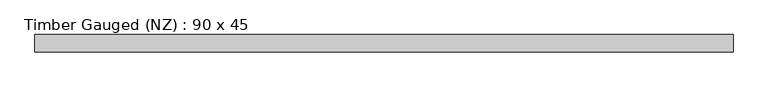
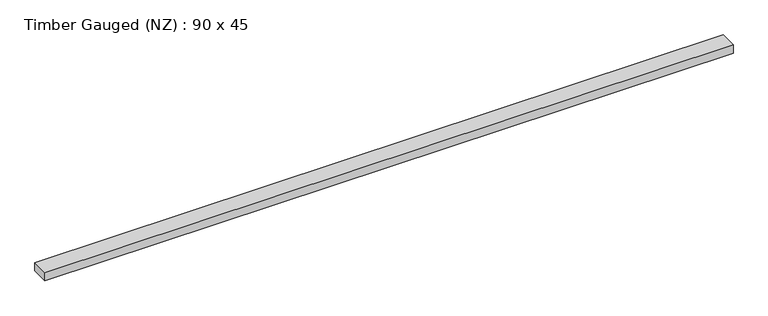
"""IFC4 building model written with IfcOpenShell, lengths in millimetres: beam geometry, Timber Gauged (NZ) : 90 x 45."""

from ifc_helpers import new_model, si_unit, frame, origin, place, context, project, spatial, polyline, outline, extrude, source, transform, mapped, element, save


def timber_gauged_nz_90_x_45_ddc52903(model_context):
    return source(origin(), model_context, "Body", "SweptSolid", [
        extrude(outline(polyline([(1786.3395946, 45.0), (1786.3395946, -45.0), (-1786.3395946, -45.0), (-1786.3395946, 45.0), (1786.3395946, 45.0)])), frame((0.0, 0.0, -22.5), z_axis=(0.0, 0.0, 1.0), x_axis=(1.0, 0.0, 0.0)), (0.0, 0.0, 1.0), 45.0),
    ])


if __name__ == "__main__":
    model = new_model("IFC4")
    model_context = context("Model", 3, world=origin())
    ifc_project = project(units=[si_unit("LENGTHUNIT", "METRE", prefix="MILLI")], contexts=[model_context])
    site = spatial("IfcSite", under=ifc_project)
    building = spatial("IfcBuilding", under=site)
    placement = place(None, origin())
    timber_gauged_nz_90_x_45_shape = timber_gauged_nz_90_x_45_ddc52903(model_context)
    element("IfcBeam", 1, ObjectType="Timber Gauged (NZ) : 90 x 45", at=placement, inside=building, context=model_context, shape_type="MappedRepresentation", body=[
        mapped(timber_gauged_nz_90_x_45_shape, transform((0.0, 0.0, 0.0), x_axis=(1.0, 0.0, 0.0), y_axis=(0.0, 1.0, 0.0), z_axis=(0.0, 0.0, 1.0))),
    ])
    save(model, "model.ifc")
